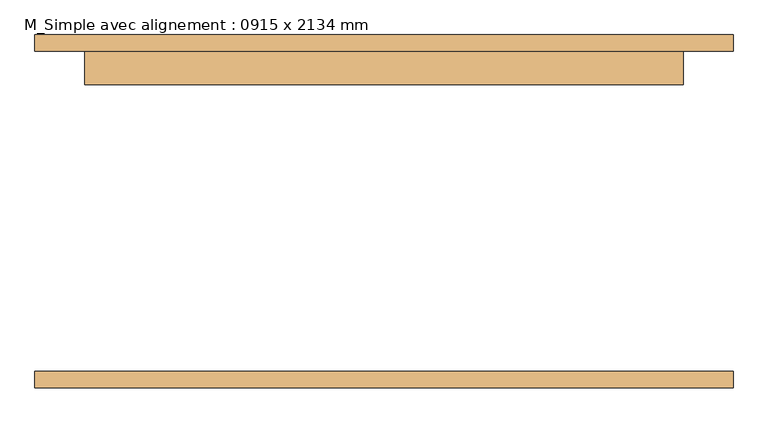
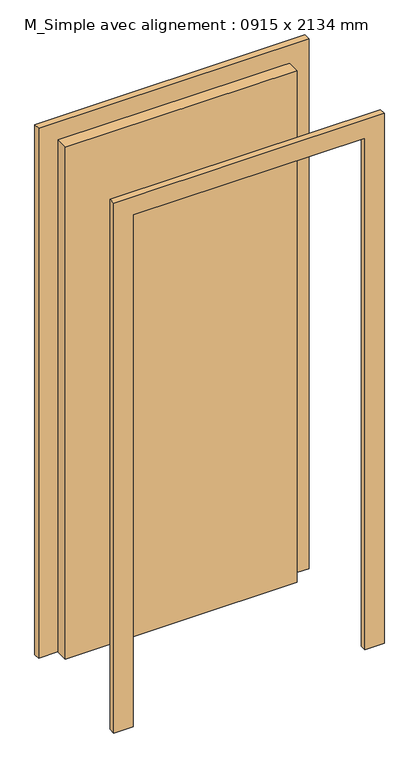
"""IFC4 building model written with IfcOpenShell, lengths in millimetres: door geometry, M_Simple avec alignement : 0915 x 2134 mm."""

from ifc_helpers import new_model, si_unit, frame, origin, origin_with_axes, place, context, project, spatial, polyline, outline, extrude, source, transform, mapped, element, save


def m_simple_avec_alignement_0915_x_2134_mm_b485a559(model_context):
    return source(origin(), model_context, "Body", "SweptSolid", [
        extrude(outline(polyline([(2210.0, -533.5), (0.0, -533.5), (0.0, -457.5), (2134.0, -457.5), (2134.0, 457.5), (0.0, 457.5), (0.0, 533.5), (2210.0, 533.5), (2210.0, -533.5)])), frame((0.0, 245.0, 0.0), z_axis=(0.0, 1.0, 0.0), x_axis=(0.0, 0.0, 1.0)), (0.0, 0.0, 1.0), 25.0),
        extrude(outline(polyline([(2210.0, 533.5), (2210.0, -533.5), (0.0, -533.5), (0.0, -457.5), (2134.0, -457.5), (2134.0, 457.5), (0.0, 457.5), (0.0, 533.5), (2210.0, 533.5)])), frame((0.0, -270.0, 0.0), z_axis=(0.0, 1.0, 0.0), x_axis=(0.0, 0.0, 1.0)), (0.0, 0.0, 1.0), 25.0),
        extrude(outline(polyline([(457.5, 194.0), (-457.5, 194.0), (-457.5, 245.0), (457.5, 245.0), (457.5, 194.0)])), origin_with_axes(), (0.0, 0.0, 1.0), 2134.0),
    ])


if __name__ == "__main__":
    model = new_model("IFC4")
    model_context = context("Model", 3, world=origin())
    ifc_project = project(units=[si_unit("LENGTHUNIT", "METRE", prefix="MILLI")], contexts=[model_context])
    site = spatial("IfcSite", under=ifc_project)
    building = spatial("IfcBuilding", under=site)
    placement = place(None, origin())
    m_simple_avec_alignement_0915_x_2134_mm_shape = m_simple_avec_alignement_0915_x_2134_mm_b485a559(model_context)
    element("IfcDoor", 1, ObjectType="M_Simple avec alignement : 0915 x 2134 mm", at=placement, inside=building, context=model_context, shape_type="MappedRepresentation", body=[
        mapped(m_simple_avec_alignement_0915_x_2134_mm_shape, transform((0.0, 0.0, 0.0), x_axis=(1.0, 0.0, 0.0), y_axis=(0.0, 1.0, 0.0), z_axis=(0.0, 0.0, 1.0))),
    ])
    save(model, "model.ifc")
